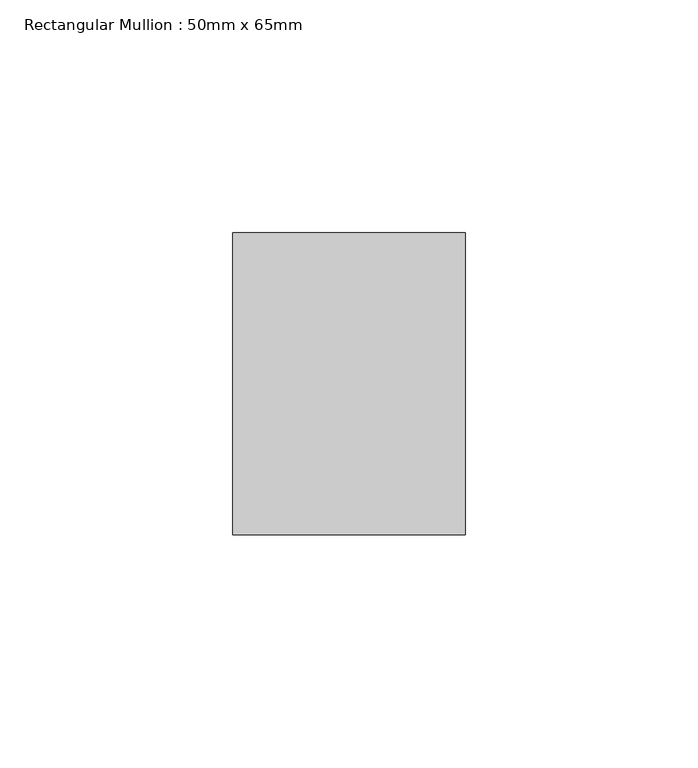
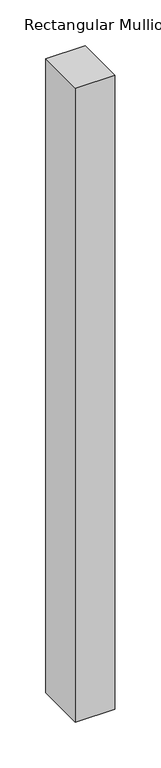
"""IFC4 building model written with IfcOpenShell, lengths in millimetres: member geometry, Rectangular Mullion : 50mm x 65mm."""

from ifc_helpers import new_model, si_unit, frame, origin, place, context, project, spatial, polyline, outline, extrude, source, transform, mapped, element, save


def rectangular_mullion_50mm_x_65mm_62343b06(model_context):
    return source(origin(), model_context, "Body", "SweptSolid", [
        extrude(outline(polyline([(25.0, 32.5), (25.0, -32.5), (-25.0, -32.5), (-25.0, 32.5), (25.0, 32.5)])), frame((0.0, 0.0, -846.725092), z_axis=(0.0, 0.0, 1.0), x_axis=(1.0, 0.0, 0.0)), (0.0, 0.0, 1.0), 846.725092),
    ])


if __name__ == "__main__":
    model = new_model("IFC4")
    model_context = context("Model", 3, world=origin())
    ifc_project = project(units=[si_unit("LENGTHUNIT", "METRE", prefix="MILLI")], contexts=[model_context])
    site = spatial("IfcSite", under=ifc_project)
    building = spatial("IfcBuilding", under=site)
    placement = place(None, origin())
    rectangular_mullion_50mm_x_65mm_shape = rectangular_mullion_50mm_x_65mm_62343b06(model_context)
    element("IfcMember", 1, ObjectType="Rectangular Mullion : 50mm x 65mm", at=placement, inside=building, context=model_context, shape_type="MappedRepresentation", body=[
        mapped(rectangular_mullion_50mm_x_65mm_shape, transform((0.0, 0.0, 0.0), x_axis=(1.0, 0.0, 0.0), y_axis=(0.0, 1.0, 0.0), z_axis=(0.0, 0.0, 1.0))),
    ])
    save(model, "model.ifc")
